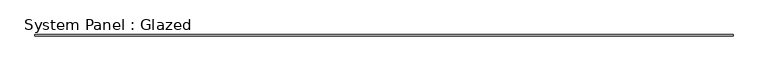
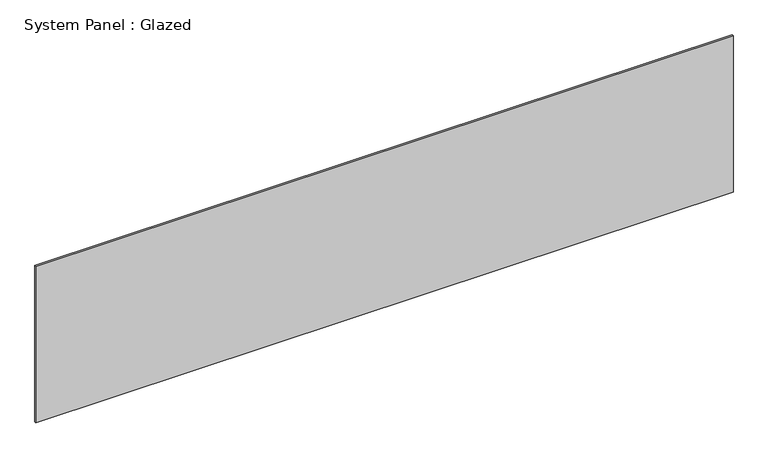
"""IFC4 building model written with IfcOpenShell, lengths in millimetres: plate geometry, System Panel : Glazed."""

from ifc_helpers import new_model, si_unit, origin, origin_with_axes, place, context, project, spatial, polyline, outline, extrude, source, transform, mapped, element, save


def system_panel_glazed_fb766287(model_context):
    return source(origin(), model_context, "Body", "SweptSolid", [
        extrude(outline(polyline([(6916.3125, -49.5), (-6916.3125, -49.5), (-6916.3125, -24.5), (6916.3125, -24.5), (6916.3125, -49.5)])), origin_with_axes(), (0.0, 0.0, 1.0), 3282.625),
    ])


if __name__ == "__main__":
    model = new_model("IFC4")
    model_context = context("Model", 3, world=origin())
    ifc_project = project(units=[si_unit("LENGTHUNIT", "METRE", prefix="MILLI")], contexts=[model_context])
    site = spatial("IfcSite", under=ifc_project)
    building = spatial("IfcBuilding", under=site)
    placement = place(None, origin())
    system_panel_glazed_shape = system_panel_glazed_fb766287(model_context)
    element("IfcPlate", 1, ObjectType="System Panel : Glazed", at=placement, inside=building, context=model_context, shape_type="MappedRepresentation", body=[
        mapped(system_panel_glazed_shape, transform((0.0, 0.0, 0.0), x_axis=(1.0, 0.0, 0.0), y_axis=(0.0, 1.0, 0.0), z_axis=(0.0, 0.0, 1.0))),
    ])
    save(model, "model.ifc")
